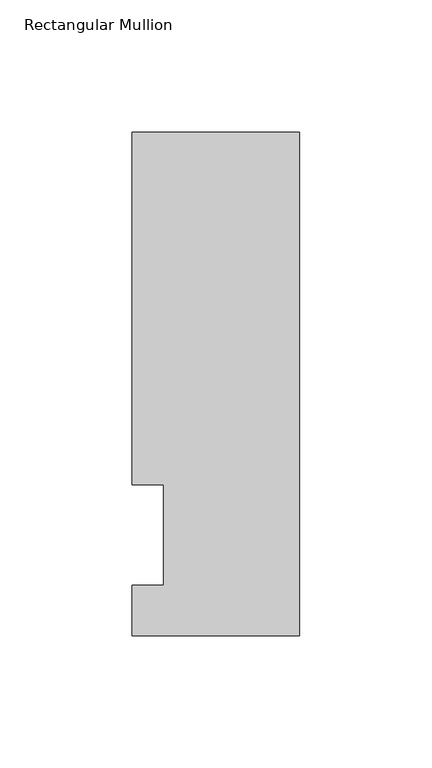
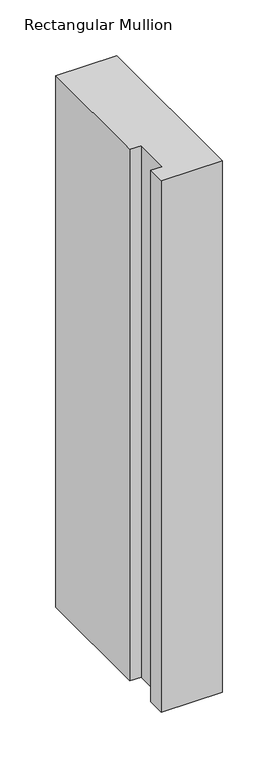
"""IFC4 building model written with IfcOpenShell, lengths in millimetres: member geometry, Rectangular Mullion."""

from ifc_helpers import new_model, si_unit, frame, origin, place, context, project, spatial, polyline, outline, extrude, source, transform, mapped, element, save


def rectangular_mullion_06a34e47(model_context):
    return source(origin(), model_context, "Body", "SweptSolid", [
        extrude(outline(polyline([(-63.5, 152.4), (0.0, 152.4), (0.0, -38.1), (-63.5, -38.1), (-63.5, -19.0504842), (-51.5874, -19.0504842), (-51.5874, 19.0495158), (-63.5, 19.0495158), (-63.5, 152.4)])), frame((0.0, 0.0, -584.2), z_axis=(0.0, 0.0, 1.0), x_axis=(1.0, 0.0, 0.0)), (0.0, 0.0, 1.0), 584.2),
    ])


if __name__ == "__main__":
    model = new_model("IFC4")
    model_context = context("Model", 3, world=origin())
    ifc_project = project(units=[si_unit("LENGTHUNIT", "METRE", prefix="MILLI")], contexts=[model_context])
    site = spatial("IfcSite", under=ifc_project)
    building = spatial("IfcBuilding", under=site)
    placement = place(None, origin())
    rectangular_mullion_shape = rectangular_mullion_06a34e47(model_context)
    element("IfcMember", 1, ObjectType="Rectangular Mullion", at=placement, inside=building, context=model_context, shape_type="MappedRepresentation", body=[
        mapped(rectangular_mullion_shape, transform((0.0, 0.0, 0.0), x_axis=(1.0, 0.0, 0.0), y_axis=(0.0, 1.0, 0.0), z_axis=(0.0, 0.0, 1.0))),
    ])
    save(model, "model.ifc")
